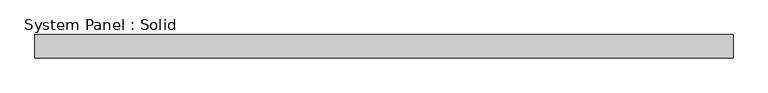
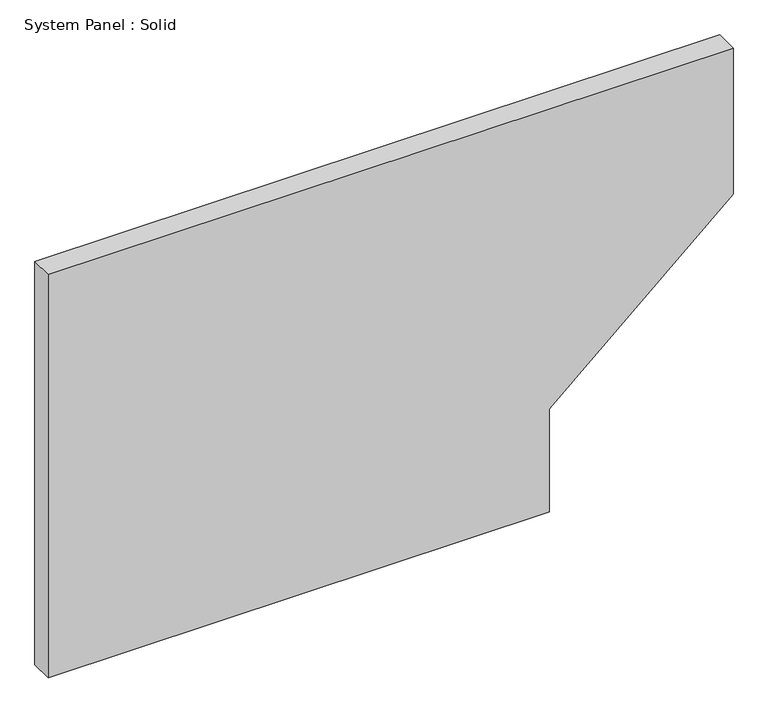
"""IFC4 building model written with IfcOpenShell, lengths in millimetres: plate geometry, System Panel : Solid."""

from ifc_helpers import new_model, si_unit, frame, origin, place, context, project, spatial, polyline, outline, extrude, source, transform, mapped, element, save


def system_panel_solid_5502255e(model_context):
    return source(origin(), model_context, "Body", "SweptSolid", [
        extrude(outline(polyline([(0.0, -895.5), (0.0, 414.85032), (284.371901, 414.85032), (710.8020042, 895.5), (1115.0, 895.5), (1115.0, -895.5), (0.0, -895.5)])), frame((0.0, -10.5, 0.0), z_axis=(0.0, 1.0, 0.0), x_axis=(0.0, 0.0, 1.0)), (0.0, 0.0, 1.0), 60.0),
    ])


if __name__ == "__main__":
    model = new_model("IFC4")
    model_context = context("Model", 3, world=origin())
    ifc_project = project(units=[si_unit("LENGTHUNIT", "METRE", prefix="MILLI")], contexts=[model_context])
    site = spatial("IfcSite", under=ifc_project)
    building = spatial("IfcBuilding", under=site)
    placement = place(None, origin())
    system_panel_solid_shape = system_panel_solid_5502255e(model_context)
    element("IfcPlate", 1, ObjectType="System Panel : Solid", at=placement, inside=building, context=model_context, shape_type="MappedRepresentation", body=[
        mapped(system_panel_solid_shape, transform((0.0, 0.0, 0.0), x_axis=(1.0, 0.0, 0.0), y_axis=(0.0, 1.0, 0.0), z_axis=(0.0, 0.0, 1.0))),
    ])
    save(model, "model.ifc")
